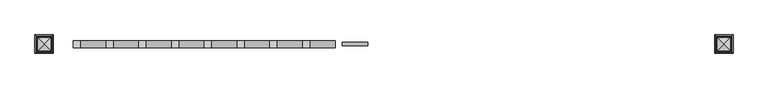
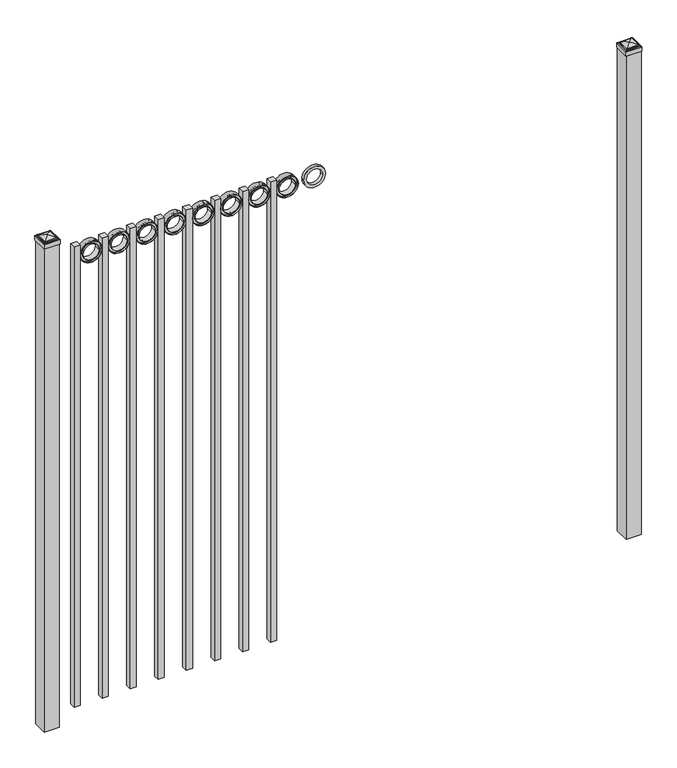
"""IFC4 building model written with IfcOpenShell, lengths in millimetres: railing geometry."""

import ifcopenshell
import ifcopenshell.guid

model = None  # the IFC model being written
_history = None  # IfcOwnerHistory: only IFC2X3 demands one
_inside = {}  # id of a spatial element -> (the spatial element, [elements in it])
_under = {}  # id of a project, library or spatial element -> (it, [spatial elements below it])
_declared = {}  # id of a project -> (the project, [libraries it declares])
_typed = {}  # id of a type object -> (the type object, [elements of that type])
_made_of = {}  # id of a material, layer set ... -> (it, [elements and type objects made of it])


def new_model(schema):
    """Start an empty IFC model of exactly this schema.

    Asked for "IFC4X3", IfcOpenShell would pick the latest addendum, in which some entities
    have other attributes; the version numbers below select the first issue.
    IFC2X3 requires an IfcOwnerHistory on every rooted entity: one is made here for all.
    """
    global model, _history
    if schema == "IFC4X3":
        model = ifcopenshell.file(schema_version=(4, 3, 0, 0))
    else:
        model = ifcopenshell.file(schema=schema)
    _inside.clear()
    _under.clear()
    _declared.clear()
    _typed.clear()
    _made_of.clear()
    _history = None
    if model.schema == "IFC2X3":
        org = make("IfcOrganization", Name="unknown")
        user = make(
            "IfcPersonAndOrganization",
            ThePerson=make("IfcPerson", FamilyName="unknown"),
            TheOrganization=org,
        )
        app = make(
            "IfcApplication",
            ApplicationDeveloper=org,
            Version="unknown",
            ApplicationFullName="unknown",
            ApplicationIdentifier="unknown",
        )
        _history = make(
            "IfcOwnerHistory",
            OwningUser=user,
            OwningApplication=app,
            ChangeAction="ADDED",
            CreationDate=0,
        )
    return model


def make(cls, **values):
    """One entity of the class cls with the attributes given. An attribute that is None is left unset."""
    return model.create_entity(
        cls, **{name: value for name, value in values.items() if value is not None}
    )


def rooted(cls, **values):
    """An entity with a GlobalId (a new one), such as an element, a storey or a relation."""
    return make(cls, GlobalId=ifcopenshell.guid.new(), OwnerHistory=_history, **values)


def si_unit(unit_type, name, prefix=None):
    """IfcSIUnit, for example si_unit("LENGTHUNIT", "METRE", prefix="MILLI")."""
    return make("IfcSIUnit", UnitType=unit_type, Prefix=prefix, Name=name)


def assignment(units):
    """IfcUnitAssignment: the units of a project."""
    return None if units is None else make("IfcUnitAssignment", Units=units)


def point(xyz):
    """IfcCartesianPoint."""
    return None if xyz is None else make("IfcCartesianPoint", Coordinates=xyz)


def direction(xyz):
    """IfcDirection."""
    return None if xyz is None else make("IfcDirection", DirectionRatios=xyz)


def frame(location, z_axis=None, x_axis=None):
    """IfcAxis2Placement3D, a coordinate frame: its origin and axes. An axis left out is left unset."""
    return make(
        "IfcAxis2Placement3D",
        Location=point(location),
        Axis=direction(z_axis),
        RefDirection=direction(x_axis),
    )


def frame_2d(location, x_axis=None):
    """IfcAxis2Placement2D, a coordinate frame in the plane: its origin and x axis."""
    return make(
        "IfcAxis2Placement2D", Location=point(location), RefDirection=direction(x_axis)
    )


def origin():
    """The frame at (0, 0, 0) with its axes left unset."""
    return frame((0.0, 0.0, 0.0))


def origin_with_axes():
    """The frame at (0, 0, 0) with the z axis (0, 0, 1) and the x axis (1, 0, 0) written out."""
    return frame((0.0, 0.0, 0.0), z_axis=(0.0, 0.0, 1.0), x_axis=(1.0, 0.0, 0.0))


def place(relative_to, where):
    """IfcLocalPlacement: puts the frame where relative to a parent placement (None: the world)."""
    return make(
        "IfcLocalPlacement", PlacementRelTo=relative_to, RelativePlacement=where
    )


def context(
    kind, dimensions, precision=None, world=None, true_north=None, identifier=None
):
    """IfcGeometricRepresentationContext, for example the 3D "Model" context."""
    return make(
        "IfcGeometricRepresentationContext",
        ContextIdentifier=identifier,
        ContextType=kind,
        CoordinateSpaceDimension=dimensions,
        Precision=precision,
        WorldCoordinateSystem=world,
        TrueNorth=true_north,
    )


def project(units=None, contexts=None):
    """IfcProject with its units and contexts."""
    return rooted(
        "IfcProject",
        Name="project",
        RepresentationContexts=contexts,
        UnitsInContext=assignment(units),
    )


def spatial(cls, under=None, at=None, **own):
    """A site, building, storey or space (cls), placed at a placement, below another one or the project."""
    s = rooted(cls, ObjectPlacement=at, **own)
    if under is not None:
        _under.setdefault(under.id(), (under, []))[1].append(s)
    return s


def polyline(points):
    """IfcPolyline through the points."""
    return make("IfcPolyline", Points=[point(p) for p in points])


def circle_curve(where, radius):
    """IfcCircle in the frame where."""
    return make("IfcCircle", Position=where, Radius=radius)


def ellipse_curve(where, semi_axis1, semi_axis2):
    """IfcEllipse in the frame where."""
    return make(
        "IfcEllipse", Position=where, SemiAxis1=semi_axis1, SemiAxis2=semi_axis2
    )


def trimmed(basis, trim1, trim2, sense, master):
    """IfcTrimmedCurve: the piece of a basis curve between two trims."""
    return make(
        "IfcTrimmedCurve",
        BasisCurve=basis,
        Trim1=trim1,
        Trim2=trim2,
        SenseAgreement=sense,
        MasterRepresentation=master,
    )


def segment(curve, same_sense, transition):
    """IfcCompositeCurveSegment."""
    return make(
        "IfcCompositeCurveSegment",
        Transition=transition,
        SameSense=same_sense,
        ParentCurve=curve,
    )


def composite_curve(segments, self_intersect=None):
    """IfcCompositeCurve: segments joined end to end."""
    return make("IfcCompositeCurve", Segments=segments, SelfIntersect=self_intersect)


def outline(outer, holes=None, kind="AREA"):
    """IfcArbitraryClosedProfileDef: a profile drawn as a closed curve; with holes, ...WithVoids."""
    if holes is None:
        return make("IfcArbitraryClosedProfileDef", ProfileType=kind, OuterCurve=outer)
    return make(
        "IfcArbitraryProfileDefWithVoids",
        ProfileType=kind,
        OuterCurve=outer,
        InnerCurves=holes,
    )


def extrude(swept, where, along, depth):
    """IfcExtrudedAreaSolid: the profile swept, set in the frame where, extruded along a direction by depth."""
    return make(
        "IfcExtrudedAreaSolid",
        SweptArea=swept,
        Position=where,
        ExtrudedDirection=direction(along),
        Depth=depth,
    )


def shape(context_of_items, identifier, shape_type, items):
    """IfcShapeRepresentation: the items that make up one representation, for example the "Body"."""
    return make(
        "IfcShapeRepresentation",
        ContextOfItems=context_of_items,
        RepresentationIdentifier=identifier,
        RepresentationType=shape_type,
        Items=items,
    )


def source(mapping_origin, context_of_items, identifier, shape_type, items):
    """IfcRepresentationMap: a shape defined once, which mapped items show again and again."""
    return make(
        "IfcRepresentationMap",
        MappingOrigin=mapping_origin,
        MappedRepresentation=shape(context_of_items, identifier, shape_type, items),
    )


def transform(
    local_origin,
    x_axis=None,
    y_axis=None,
    z_axis=None,
    scale=None,
    scale2=None,
    scale3=None,
    uniform=True,
):
    """IfcCartesianTransformationOperator3D, or its non-uniform kind. x_axis, y_axis, z_axis: its Axis1, 2, 3."""
    if uniform:
        return make(
            "IfcCartesianTransformationOperator3D",
            Axis1=direction(x_axis),
            Axis2=direction(y_axis),
            LocalOrigin=point(local_origin),
            Scale=scale,
            Axis3=direction(z_axis),
        )
    return make(
        "IfcCartesianTransformationOperator3DnonUniform",
        Axis1=direction(x_axis),
        Axis2=direction(y_axis),
        LocalOrigin=point(local_origin),
        Scale=scale,
        Axis3=direction(z_axis),
        Scale2=scale2,
        Scale3=scale3,
    )


def mapped(mapping_source, mapping_target):
    """IfcMappedItem: shows the shape of a source again, moved by a transform."""
    return make(
        "IfcMappedItem", MappingSource=mapping_source, MappingTarget=mapping_target
    )


def made_of(thing, what):
    """Note that an element or type object is made of a material, layer set ...; save() writes the relation."""
    if what is not None:
        _made_of.setdefault(what.id(), (what, []))[1].append(thing)
    return thing


def element(
    cls,
    number,
    at=None,
    inside=None,
    cuts=None,
    type_object=None,
    material=None,
    context=None,
    identifier="Body",
    shape_type=None,
    held_by="IfcProductDefinitionShape",
    body=None,
    shapes=None,
    **own,
):
    """One element of the class cls, such as IfcWall. Its Tag is "e" and its number.

    at: its placement. inside: the storey or other place that contains it. cuts: it is an
    opening in that element (IfcRelVoidsElement). A single representation is given by context,
    identifier, shape_type and body (its items); several are given by shapes. held_by: the class
    of the entity that holds the representations. save() writes the other relations.
    """
    e = rooted(cls, Tag="e%d" % number, ObjectPlacement=at, **own)
    if body is not None:
        shapes = [shape(context, identifier, shape_type, body)]
    if shapes is not None:
        e.Representation = make(held_by, Representations=shapes)
    if inside is not None:
        _inside.setdefault(inside.id(), (inside, []))[1].append(e)
    if cuts is not None:
        rooted(
            "IfcRelVoidsElement", RelatingBuildingElement=cuts, RelatedOpeningElement=e
        )
    if type_object is not None:
        _typed.setdefault(type_object.id(), (type_object, []))[1].append(e)
    return made_of(e, material)


def aggregate(whole, parts):
    """IfcRelAggregates: a whole, such as a stair, and the parts it consists of."""
    return rooted("IfcRelAggregates", RelatingObject=whole, RelatedObjects=parts)


def save(model, path):
    """Write the relations noted so far, then the file.

    IfcRelAggregates (storeys below a building ...), IfcRelContainedInSpatialStructure (elements
    in a storey), IfcRelDefinesByType, IfcRelAssociatesMaterial and IfcRelDeclares: one each for
    every whole, place, type object, material and project.
    """
    for whole, parts in _under.values():
        aggregate(whole, parts)
    for where, things in _inside.values():
        rooted(
            "IfcRelContainedInSpatialStructure",
            RelatedElements=things,
            RelatingStructure=where,
        )
    for kind, things in _typed.values():
        rooted("IfcRelDefinesByType", RelatedObjects=things, RelatingType=kind)
    for what, things in _made_of.values():
        rooted("IfcRelAssociatesMaterial", RelatedObjects=things, RelatingMaterial=what)
    for by, libraries in _declared.values():
        rooted("IfcRelDeclares", RelatingContext=by, RelatedDefinitions=libraries)
    model.write(path)


def plane_surface(at):
    """IfcPlane: the flat surface through the origin of the frame at, square to its z axis."""
    return make("IfcPlane", Position=at)


def cylinder_surface(at, radius):
    """IfcCylindricalSurface: all points at the distance radius from the z axis of the frame at."""
    return make("IfcCylindricalSurface", Position=at, Radius=radius)


def advanced_brep(points, edges, surfaces, faces):
    """IfcAdvancedBrep: a solid bounded by faces that lie on surfaces and meet in shared edges.

    An edge is (start, end): straight between two places in points (the first is 0);
    or (start, end, curve); or (start, end, curve, False) where it runs against its curve.
    A face is (place in surfaces, loops), or (place, loops, False) where it looks against
    its surface's normal. A loop lists edges by number (the first is 1), with a minus sign
    where the edge is run from its end to its start. The first loop is the outer one.
    """
    corners = [point(p) for p in points]
    vertices = [make("IfcVertexPoint", VertexGeometry=c) for c in corners]
    made = []
    for start, end, *more in edges:
        made.append(
            make(
                "IfcEdgeCurve",
                EdgeStart=vertices[start],
                EdgeEnd=vertices[end],
                EdgeGeometry=more[0] if more else make("IfcPolyline", Points=[corners[start], corners[end]]),
                SameSense=more[1] if len(more) > 1 else True,
            )
        )
    hull = []
    for where, loops, *sense in faces:
        bounds = []
        for j, loop in enumerate(loops):
            ring = [make("IfcOrientedEdge", EdgeElement=made[abs(k) - 1], Orientation=k > 0) for k in loop]
            bounds.append(
                make(
                    "IfcFaceOuterBound" if j == 0 else "IfcFaceBound",
                    Bound=make("IfcEdgeLoop", EdgeList=ring),
                    Orientation=True,
                )
            )
        hull.append(make("IfcAdvancedFace", Bounds=bounds, FaceSurface=surfaces[where], SameSense=sense[0] if sense else True))
    return make("IfcAdvancedBrep", Outer=make("IfcClosedShell", CfsFaces=hull))


def railing_4fd7bb2c(model_context):
    return source(origin(), model_context, "Body", "SolidModel", [
        extrude(outline(composite_curve([segment(trimmed(circle_curve(frame_2d((2043.4511409, -5077.3911274)), 45.6988591), [point((2043.4511409, -5031.6922684))], [point((2043.4511409, -5123.0899865))], False, "CARTESIAN"), True, "CONTINUOUS"), segment(trimmed(circle_curve(frame_2d((2043.4511409, -5077.3911274)), 45.6988591), [point((2043.4511409, -5123.0899865))], [point((2043.4511409, -5031.6922684))], False, "CARTESIAN"), True, "CONTINUOUS")], self_intersect=False), holes=[composite_curve([segment(trimmed(circle_curve(frame_2d((2043.4511409, -5077.3911274)), 33.0443887), [point((2043.4511409, -5044.3467388))], [point((2043.4511409, -5110.4355161))], True, "CARTESIAN"), True, "CONTINUOUS"), segment(trimmed(circle_curve(frame_2d((2043.4511409, -5077.3911274)), 33.0443887), [point((2043.4511409, -5110.4355161))], [point((2043.4511409, -5044.3467388))], True, "CARTESIAN"), True, "CONTINUOUS")], self_intersect=False)]), frame((0.0, 8838.569541, 0.0), z_axis=(0.0, 1.0, 0.0), x_axis=(0.0, 0.0, 1.0)), (0.0, 0.0, 1.0), 12.7),
        extrude(outline(polyline([(0.0, -2038.35), (0.0, 0.0), (25.4, 0.0), (25.4, -2038.35), (0.0, -2038.35)])), frame((-5240.5649864, 8857.619541, 2089.15), z_axis=(-1.0, 0.0, 2.035783368465032e-09), x_axis=(0.0, -1.0, 0.0)), (0.0, 0.0, 1.0), 25.4),
        extrude(outline(composite_curve([segment(trimmed(circle_curve(frame_2d((2043.4511409, -5194.8661274)), 45.6988591), [point((2043.4511409, -5149.1672684))], [point((2043.4511409, -5240.5649865))], False, "CARTESIAN"), True, "CONTINUOUS"), segment(trimmed(circle_curve(frame_2d((2043.4511409, -5194.8661274)), 45.6988591), [point((2043.4511409, -5240.5649865))], [point((2043.4511409, -5149.1672684))], False, "CARTESIAN"), True, "CONTINUOUS")], self_intersect=False), holes=[composite_curve([segment(trimmed(circle_curve(frame_2d((2043.4511409, -5194.8661274)), 44.101539), [point((2043.4511409, -5150.7645884))], [point((2043.4511409, -5238.9676665))], True, "CARTESIAN"), True, "CONTINUOUS"), segment(trimmed(circle_curve(frame_2d((2043.4511409, -5194.8661274)), 44.101539), [point((2043.4511409, -5238.9676665))], [point((2043.4511409, -5150.7645884))], True, "CARTESIAN"), True, "CONTINUOUS")], self_intersect=False)]), frame((0.0, 8832.219541, 0.0), z_axis=(0.0, 1.0, 0.0), x_axis=(0.0, 0.0, 1.0)), (0.0, 0.0, 1.0), 25.4),
        extrude(outline(composite_curve([segment(trimmed(circle_curve(frame_2d((2043.4511409, -5194.8661274)), 34.6370762), [point((2043.4511409, -5160.2290512))], [point((2043.4511409, -5229.5032037))], False, "CARTESIAN"), True, "CONTINUOUS"), segment(trimmed(circle_curve(frame_2d((2043.4511409, -5194.8661274)), 34.6370762), [point((2043.4511409, -5229.5032037))], [point((2043.4511409, -5160.2290512))], False, "CARTESIAN"), True, "CONTINUOUS")], self_intersect=False), holes=[composite_curve([segment(trimmed(circle_curve(frame_2d((2043.4511409, -5194.8661274)), 33.0443887), [point((2043.4511409, -5161.8217388))], [point((2043.4511409, -5227.9105161))], True, "CARTESIAN"), True, "CONTINUOUS"), segment(trimmed(circle_curve(frame_2d((2043.4511409, -5194.8661274)), 33.0443887), [point((2043.4511409, -5227.9105161))], [point((2043.4511409, -5161.8217388))], True, "CARTESIAN"), True, "CONTINUOUS")], self_intersect=False)]), frame((0.0, 8832.219541, 0.0), z_axis=(0.0, 1.0, 0.0), x_axis=(0.0, 0.0, 1.0)), (0.0, 0.0, 1.0), 25.4),
        extrude(outline(composite_curve([segment(trimmed(circle_curve(frame_2d((2043.4511409, -5194.8661274)), 45.6988591), [point((2043.4511409, -5149.1672684))], [point((2043.4511409, -5240.5649865))], False, "CARTESIAN"), True, "CONTINUOUS"), segment(trimmed(circle_curve(frame_2d((2043.4511409, -5194.8661274)), 45.6988591), [point((2043.4511409, -5240.5649865))], [point((2043.4511409, -5149.1672684))], False, "CARTESIAN"), True, "CONTINUOUS")], self_intersect=False), holes=[composite_curve([segment(trimmed(circle_curve(frame_2d((2043.4511409, -5194.8661274)), 33.0443887), [point((2043.4511409, -5161.8217388))], [point((2043.4511409, -5227.9105161))], True, "CARTESIAN"), True, "CONTINUOUS"), segment(trimmed(circle_curve(frame_2d((2043.4511409, -5194.8661274)), 33.0443887), [point((2043.4511409, -5227.9105161))], [point((2043.4511409, -5161.8217388))], True, "CARTESIAN"), True, "CONTINUOUS")], self_intersect=False)]), frame((0.0, 8838.569541, 0.0), z_axis=(0.0, 1.0, 0.0), x_axis=(0.0, 0.0, 1.0)), (0.0, 0.0, 1.0), 12.7),
        extrude(outline(polyline([(0.0, -2038.35), (0.0, 0.0), (25.4, 0.0), (25.4, -2038.35), (0.0, -2038.35)])), frame((-5358.0399864, 8857.619541, 2089.15), z_axis=(-1.0, 0.0, 2.035783368465032e-09), x_axis=(0.0, -1.0, 0.0)), (0.0, 0.0, 1.0), 25.4),
        extrude(outline(composite_curve([segment(trimmed(circle_curve(frame_2d((2043.4511409, -5312.3411274)), 45.6988591), [point((2043.4511409, -5266.6422684))], [point((2043.4511409, -5358.0399865))], False, "CARTESIAN"), True, "CONTINUOUS"), segment(trimmed(circle_curve(frame_2d((2043.4511409, -5312.3411274)), 45.6988591), [point((2043.4511409, -5358.0399865))], [point((2043.4511409, -5266.6422684))], False, "CARTESIAN"), True, "CONTINUOUS")], self_intersect=False), holes=[composite_curve([segment(trimmed(circle_curve(frame_2d((2043.4511409, -5312.3411274)), 44.101539), [point((2043.4511409, -5268.2395884))], [point((2043.4511409, -5356.4426665))], True, "CARTESIAN"), True, "CONTINUOUS"), segment(trimmed(circle_curve(frame_2d((2043.4511409, -5312.3411274)), 44.101539), [point((2043.4511409, -5356.4426665))], [point((2043.4511409, -5268.2395884))], True, "CARTESIAN"), True, "CONTINUOUS")], self_intersect=False)]), frame((0.0, 8832.219541, 0.0), z_axis=(0.0, 1.0, 0.0), x_axis=(0.0, 0.0, 1.0)), (0.0, 0.0, 1.0), 25.4),
        extrude(outline(composite_curve([segment(trimmed(circle_curve(frame_2d((2043.4511409, -5312.3411274)), 34.6370762), [point((2043.4511409, -5277.7040512))], [point((2043.4511409, -5346.9782037))], False, "CARTESIAN"), True, "CONTINUOUS"), segment(trimmed(circle_curve(frame_2d((2043.4511409, -5312.3411274)), 34.6370762), [point((2043.4511409, -5346.9782037))], [point((2043.4511409, -5277.7040512))], False, "CARTESIAN"), True, "CONTINUOUS")], self_intersect=False), holes=[composite_curve([segment(trimmed(circle_curve(frame_2d((2043.4511409, -5312.3411274)), 33.0443887), [point((2043.4511409, -5279.2967388))], [point((2043.4511409, -5345.3855161))], True, "CARTESIAN"), True, "CONTINUOUS"), segment(trimmed(circle_curve(frame_2d((2043.4511409, -5312.3411274)), 33.0443887), [point((2043.4511409, -5345.3855161))], [point((2043.4511409, -5279.2967388))], True, "CARTESIAN"), True, "CONTINUOUS")], self_intersect=False)]), frame((0.0, 8832.219541, 0.0), z_axis=(0.0, 1.0, 0.0), x_axis=(0.0, 0.0, 1.0)), (0.0, 0.0, 1.0), 25.4),
        extrude(outline(composite_curve([segment(trimmed(circle_curve(frame_2d((2043.4511409, -5312.3411274)), 45.6988591), [point((2043.4511409, -5266.6422684))], [point((2043.4511409, -5358.0399865))], False, "CARTESIAN"), True, "CONTINUOUS"), segment(trimmed(circle_curve(frame_2d((2043.4511409, -5312.3411274)), 45.6988591), [point((2043.4511409, -5358.0399865))], [point((2043.4511409, -5266.6422684))], False, "CARTESIAN"), True, "CONTINUOUS")], self_intersect=False), holes=[composite_curve([segment(trimmed(circle_curve(frame_2d((2043.4511409, -5312.3411274)), 33.0443887), [point((2043.4511409, -5279.2967388))], [point((2043.4511409, -5345.3855161))], True, "CARTESIAN"), True, "CONTINUOUS"), segment(trimmed(circle_curve(frame_2d((2043.4511409, -5312.3411274)), 33.0443887), [point((2043.4511409, -5345.3855161))], [point((2043.4511409, -5279.2967388))], True, "CARTESIAN"), True, "CONTINUOUS")], self_intersect=False)]), frame((0.0, 8838.569541, 0.0), z_axis=(0.0, 1.0, 0.0), x_axis=(0.0, 0.0, 1.0)), (0.0, 0.0, 1.0), 12.7),
        extrude(outline(polyline([(0.0, -2038.35), (0.0, 0.0), (25.4, 0.0), (25.4, -2038.35), (0.0, -2038.35)])), frame((-5475.5149864, 8857.619541, 2089.15), z_axis=(-1.0, 0.0, 2.035783368465032e-09), x_axis=(0.0, -1.0, 0.0)), (0.0, 0.0, 1.0), 25.4),
        extrude(outline(composite_curve([segment(trimmed(circle_curve(frame_2d((2043.4511409, -5429.8161274)), 45.6988591), [point((2043.4511409, -5384.1172684))], [point((2043.4511409, -5475.5149865))], False, "CARTESIAN"), True, "CONTINUOUS"), segment(trimmed(circle_curve(frame_2d((2043.4511409, -5429.8161274)), 45.6988591), [point((2043.4511409, -5475.5149865))], [point((2043.4511409, -5384.1172684))], False, "CARTESIAN"), True, "CONTINUOUS")], self_intersect=False), holes=[composite_curve([segment(trimmed(circle_curve(frame_2d((2043.4511409, -5429.8161274)), 44.101539), [point((2043.4511409, -5385.7145884))], [point((2043.4511409, -5473.9176665))], True, "CARTESIAN"), True, "CONTINUOUS"), segment(trimmed(circle_curve(frame_2d((2043.4511409, -5429.8161274)), 44.101539), [point((2043.4511409, -5473.9176665))], [point((2043.4511409, -5385.7145884))], True, "CARTESIAN"), True, "CONTINUOUS")], self_intersect=False)]), frame((0.0, 8832.219541, 0.0), z_axis=(0.0, 1.0, 0.0), x_axis=(0.0, 0.0, 1.0)), (0.0, 0.0, 1.0), 25.4),
        extrude(outline(composite_curve([segment(trimmed(circle_curve(frame_2d((2043.4511409, -5429.8161274)), 34.6370762), [point((2043.4511409, -5395.1790512))], [point((2043.4511409, -5464.4532037))], False, "CARTESIAN"), True, "CONTINUOUS"), segment(trimmed(circle_curve(frame_2d((2043.4511409, -5429.8161274)), 34.6370762), [point((2043.4511409, -5464.4532037))], [point((2043.4511409, -5395.1790512))], False, "CARTESIAN"), True, "CONTINUOUS")], self_intersect=False), holes=[composite_curve([segment(trimmed(circle_curve(frame_2d((2043.4511409, -5429.8161274)), 33.0443887), [point((2043.4511409, -5396.7717388))], [point((2043.4511409, -5462.8605161))], True, "CARTESIAN"), True, "CONTINUOUS"), segment(trimmed(circle_curve(frame_2d((2043.4511409, -5429.8161274)), 33.0443887), [point((2043.4511409, -5462.8605161))], [point((2043.4511409, -5396.7717388))], True, "CARTESIAN"), True, "CONTINUOUS")], self_intersect=False)]), frame((0.0, 8832.219541, 0.0), z_axis=(0.0, 1.0, 0.0), x_axis=(0.0, 0.0, 1.0)), (0.0, 0.0, 1.0), 25.4),
        extrude(outline(composite_curve([segment(trimmed(circle_curve(frame_2d((2043.4511409, -5429.8161274)), 45.6988591), [point((2043.4511409, -5384.1172684))], [point((2043.4511409, -5475.5149865))], False, "CARTESIAN"), True, "CONTINUOUS"), segment(trimmed(circle_curve(frame_2d((2043.4511409, -5429.8161274)), 45.6988591), [point((2043.4511409, -5475.5149865))], [point((2043.4511409, -5384.1172684))], False, "CARTESIAN"), True, "CONTINUOUS")], self_intersect=False), holes=[composite_curve([segment(trimmed(circle_curve(frame_2d((2043.4511409, -5429.8161274)), 33.0443887), [point((2043.4511409, -5396.7717388))], [point((2043.4511409, -5462.8605161))], True, "CARTESIAN"), True, "CONTINUOUS"), segment(trimmed(circle_curve(frame_2d((2043.4511409, -5429.8161274)), 33.0443887), [point((2043.4511409, -5462.8605161))], [point((2043.4511409, -5396.7717388))], True, "CARTESIAN"), True, "CONTINUOUS")], self_intersect=False)]), frame((0.0, 8838.569541, 0.0), z_axis=(0.0, 1.0, 0.0), x_axis=(0.0, 0.0, 1.0)), (0.0, 0.0, 1.0), 12.7),
        extrude(outline(polyline([(0.0, -2038.35), (0.0, 0.0), (25.4, 0.0), (25.4, -2038.35), (0.0, -2038.35)])), frame((-5592.9899864, 8857.619541, 2089.15), z_axis=(-1.0, 0.0, 2.035783368465032e-09), x_axis=(0.0, -1.0, 0.0)), (0.0, 0.0, 1.0), 25.4),
        extrude(outline(composite_curve([segment(trimmed(circle_curve(frame_2d((2043.4511409, -5547.2911274)), 45.6988591), [point((2043.4511409, -5501.5922684))], [point((2043.4511409, -5592.9899865))], False, "CARTESIAN"), True, "CONTINUOUS"), segment(trimmed(circle_curve(frame_2d((2043.4511409, -5547.2911274)), 45.6988591), [point((2043.4511409, -5592.9899865))], [point((2043.4511409, -5501.5922684))], False, "CARTESIAN"), True, "CONTINUOUS")], self_intersect=False), holes=[composite_curve([segment(trimmed(circle_curve(frame_2d((2043.4511409, -5547.2911274)), 44.101539), [point((2043.4511409, -5503.1895884))], [point((2043.4511409, -5591.3926665))], True, "CARTESIAN"), True, "CONTINUOUS"), segment(trimmed(circle_curve(frame_2d((2043.4511409, -5547.2911274)), 44.101539), [point((2043.4511409, -5591.3926665))], [point((2043.4511409, -5503.1895884))], True, "CARTESIAN"), True, "CONTINUOUS")], self_intersect=False)]), frame((0.0, 8832.219541, 0.0), z_axis=(0.0, 1.0, 0.0), x_axis=(0.0, 0.0, 1.0)), (0.0, 0.0, 1.0), 25.4),
        extrude(outline(composite_curve([segment(trimmed(circle_curve(frame_2d((2043.4511409, -5547.2911274)), 34.6370762), [point((2043.4511409, -5512.6540512))], [point((2043.4511409, -5581.9282037))], False, "CARTESIAN"), True, "CONTINUOUS"), segment(trimmed(circle_curve(frame_2d((2043.4511409, -5547.2911274)), 34.6370762), [point((2043.4511409, -5581.9282037))], [point((2043.4511409, -5512.6540512))], False, "CARTESIAN"), True, "CONTINUOUS")], self_intersect=False), holes=[composite_curve([segment(trimmed(circle_curve(frame_2d((2043.4511409, -5547.2911274)), 33.0443887), [point((2043.4511409, -5514.2467388))], [point((2043.4511409, -5580.3355161))], True, "CARTESIAN"), True, "CONTINUOUS"), segment(trimmed(circle_curve(frame_2d((2043.4511409, -5547.2911274)), 33.0443887), [point((2043.4511409, -5580.3355161))], [point((2043.4511409, -5514.2467388))], True, "CARTESIAN"), True, "CONTINUOUS")], self_intersect=False)]), frame((0.0, 8832.219541, 0.0), z_axis=(0.0, 1.0, 0.0), x_axis=(0.0, 0.0, 1.0)), (0.0, 0.0, 1.0), 25.4),
        extrude(outline(composite_curve([segment(trimmed(circle_curve(frame_2d((2043.4511409, -5547.2911274)), 45.6988591), [point((2043.4511409, -5501.5922684))], [point((2043.4511409, -5592.9899865))], False, "CARTESIAN"), True, "CONTINUOUS"), segment(trimmed(circle_curve(frame_2d((2043.4511409, -5547.2911274)), 45.6988591), [point((2043.4511409, -5592.9899865))], [point((2043.4511409, -5501.5922684))], False, "CARTESIAN"), True, "CONTINUOUS")], self_intersect=False), holes=[composite_curve([segment(trimmed(circle_curve(frame_2d((2043.4511409, -5547.2911274)), 33.0443887), [point((2043.4511409, -5514.2467388))], [point((2043.4511409, -5580.3355161))], True, "CARTESIAN"), True, "CONTINUOUS"), segment(trimmed(circle_curve(frame_2d((2043.4511409, -5547.2911274)), 33.0443887), [point((2043.4511409, -5580.3355161))], [point((2043.4511409, -5514.2467388))], True, "CARTESIAN"), True, "CONTINUOUS")], self_intersect=False)]), frame((0.0, 8838.569541, 0.0), z_axis=(0.0, 1.0, 0.0), x_axis=(0.0, 0.0, 1.0)), (0.0, 0.0, 1.0), 12.7),
        extrude(outline(polyline([(0.0, -2038.35), (0.0, 0.0), (25.4, 0.0), (25.4, -2038.35), (0.0, -2038.35)])), frame((-5710.4649864, 8857.619541, 2089.15), z_axis=(-1.0, 0.0, 2.035783368465032e-09), x_axis=(0.0, -1.0, 0.0)), (0.0, 0.0, 1.0), 25.4),
        extrude(outline(composite_curve([segment(trimmed(circle_curve(frame_2d((2043.4511409, -5664.7661274)), 45.6988591), [point((2043.4511409, -5619.0672684))], [point((2043.4511409, -5710.4649865))], False, "CARTESIAN"), True, "CONTINUOUS"), segment(trimmed(circle_curve(frame_2d((2043.4511409, -5664.7661274)), 45.6988591), [point((2043.4511409, -5710.4649865))], [point((2043.4511409, -5619.0672684))], False, "CARTESIAN"), True, "CONTINUOUS")], self_intersect=False), holes=[composite_curve([segment(trimmed(circle_curve(frame_2d((2043.4511409, -5664.7661274)), 44.101539), [point((2043.4511409, -5620.6645884))], [point((2043.4511409, -5708.8676665))], True, "CARTESIAN"), True, "CONTINUOUS"), segment(trimmed(circle_curve(frame_2d((2043.4511409, -5664.7661274)), 44.101539), [point((2043.4511409, -5708.8676665))], [point((2043.4511409, -5620.6645884))], True, "CARTESIAN"), True, "CONTINUOUS")], self_intersect=False)]), frame((0.0, 8832.219541, 0.0), z_axis=(0.0, 1.0, 0.0), x_axis=(0.0, 0.0, 1.0)), (0.0, 0.0, 1.0), 25.4),
        extrude(outline(composite_curve([segment(trimmed(circle_curve(frame_2d((2043.4511409, -5664.7661274)), 34.6370762), [point((2043.4511409, -5630.1290512))], [point((2043.4511409, -5699.4032037))], False, "CARTESIAN"), True, "CONTINUOUS"), segment(trimmed(circle_curve(frame_2d((2043.4511409, -5664.7661274)), 34.6370762), [point((2043.4511409, -5699.4032037))], [point((2043.4511409, -5630.1290512))], False, "CARTESIAN"), True, "CONTINUOUS")], self_intersect=False), holes=[composite_curve([segment(trimmed(circle_curve(frame_2d((2043.4511409, -5664.7661274)), 33.0443887), [point((2043.4511409, -5631.7217388))], [point((2043.4511409, -5697.8105161))], True, "CARTESIAN"), True, "CONTINUOUS"), segment(trimmed(circle_curve(frame_2d((2043.4511409, -5664.7661274)), 33.0443887), [point((2043.4511409, -5697.8105161))], [point((2043.4511409, -5631.7217388))], True, "CARTESIAN"), True, "CONTINUOUS")], self_intersect=False)]), frame((0.0, 8832.219541, 0.0), z_axis=(0.0, 1.0, 0.0), x_axis=(0.0, 0.0, 1.0)), (0.0, 0.0, 1.0), 25.4),
        extrude(outline(composite_curve([segment(trimmed(circle_curve(frame_2d((2043.4511409, -5664.7661274)), 45.6988591), [point((2043.4511409, -5619.0672684))], [point((2043.4511409, -5710.4649865))], False, "CARTESIAN"), True, "CONTINUOUS"), segment(trimmed(circle_curve(frame_2d((2043.4511409, -5664.7661274)), 45.6988591), [point((2043.4511409, -5710.4649865))], [point((2043.4511409, -5619.0672684))], False, "CARTESIAN"), True, "CONTINUOUS")], self_intersect=False), holes=[composite_curve([segment(trimmed(circle_curve(frame_2d((2043.4511409, -5664.7661274)), 33.0443887), [point((2043.4511409, -5631.7217388))], [point((2043.4511409, -5697.8105161))], True, "CARTESIAN"), True, "CONTINUOUS"), segment(trimmed(circle_curve(frame_2d((2043.4511409, -5664.7661274)), 33.0443887), [point((2043.4511409, -5697.8105161))], [point((2043.4511409, -5631.7217388))], True, "CARTESIAN"), True, "CONTINUOUS")], self_intersect=False)]), frame((0.0, 8838.569541, 0.0), z_axis=(0.0, 1.0, 0.0), x_axis=(0.0, 0.0, 1.0)), (0.0, 0.0, 1.0), 12.7),
        extrude(outline(polyline([(0.0, -2038.35), (0.0, 0.0), (25.4, 0.0), (25.4, -2038.35), (0.0, -2038.35)])), frame((-5827.9399864, 8857.619541, 2089.15), z_axis=(-1.0, 0.0, 2.035783368465032e-09), x_axis=(0.0, -1.0, 0.0)), (0.0, 0.0, 1.0), 25.4),
        extrude(outline(composite_curve([segment(trimmed(circle_curve(frame_2d((2043.4511409, -5782.2411274)), 45.6988591), [point((2043.4511409, -5736.5422684))], [point((2043.4511409, -5827.9399865))], False, "CARTESIAN"), True, "CONTINUOUS"), segment(trimmed(circle_curve(frame_2d((2043.4511409, -5782.2411274)), 45.6988591), [point((2043.4511409, -5827.9399865))], [point((2043.4511409, -5736.5422684))], False, "CARTESIAN"), True, "CONTINUOUS")], self_intersect=False), holes=[composite_curve([segment(trimmed(circle_curve(frame_2d((2043.4511409, -5782.2411274)), 44.101539), [point((2043.4511409, -5738.1395884))], [point((2043.4511409, -5826.3426665))], True, "CARTESIAN"), True, "CONTINUOUS"), segment(trimmed(circle_curve(frame_2d((2043.4511409, -5782.2411274)), 44.101539), [point((2043.4511409, -5826.3426665))], [point((2043.4511409, -5738.1395884))], True, "CARTESIAN"), True, "CONTINUOUS")], self_intersect=False)]), frame((0.0, 8832.219541, 0.0), z_axis=(0.0, 1.0, 0.0), x_axis=(0.0, 0.0, 1.0)), (0.0, 0.0, 1.0), 25.4),
        extrude(outline(composite_curve([segment(trimmed(circle_curve(frame_2d((2043.4511409, -5782.2411274)), 34.6370762), [point((2043.4511409, -5747.6040512))], [point((2043.4511409, -5816.8782037))], False, "CARTESIAN"), True, "CONTINUOUS"), segment(trimmed(circle_curve(frame_2d((2043.4511409, -5782.2411274)), 34.6370762), [point((2043.4511409, -5816.8782037))], [point((2043.4511409, -5747.6040512))], False, "CARTESIAN"), True, "CONTINUOUS")], self_intersect=False), holes=[composite_curve([segment(trimmed(circle_curve(frame_2d((2043.4511409, -5782.2411274)), 33.0443887), [point((2043.4511409, -5749.1967388))], [point((2043.4511409, -5815.2855161))], True, "CARTESIAN"), True, "CONTINUOUS"), segment(trimmed(circle_curve(frame_2d((2043.4511409, -5782.2411274)), 33.0443887), [point((2043.4511409, -5815.2855161))], [point((2043.4511409, -5749.1967388))], True, "CARTESIAN"), True, "CONTINUOUS")], self_intersect=False)]), frame((0.0, 8832.219541, 0.0), z_axis=(0.0, 1.0, 0.0), x_axis=(0.0, 0.0, 1.0)), (0.0, 0.0, 1.0), 25.4),
        extrude(outline(composite_curve([segment(trimmed(circle_curve(frame_2d((2043.4511409, -5782.2411274)), 45.6988591), [point((2043.4511409, -5736.5422684))], [point((2043.4511409, -5827.9399865))], False, "CARTESIAN"), True, "CONTINUOUS"), segment(trimmed(circle_curve(frame_2d((2043.4511409, -5782.2411274)), 45.6988591), [point((2043.4511409, -5827.9399865))], [point((2043.4511409, -5736.5422684))], False, "CARTESIAN"), True, "CONTINUOUS")], self_intersect=False), holes=[composite_curve([segment(trimmed(circle_curve(frame_2d((2043.4511409, -5782.2411274)), 33.0443887), [point((2043.4511409, -5749.1967388))], [point((2043.4511409, -5815.2855161))], True, "CARTESIAN"), True, "CONTINUOUS"), segment(trimmed(circle_curve(frame_2d((2043.4511409, -5782.2411274)), 33.0443887), [point((2043.4511409, -5815.2855161))], [point((2043.4511409, -5749.1967388))], True, "CARTESIAN"), True, "CONTINUOUS")], self_intersect=False)]), frame((0.0, 8838.569541, 0.0), z_axis=(0.0, 1.0, 0.0), x_axis=(0.0, 0.0, 1.0)), (0.0, 0.0, 1.0), 12.7),
        extrude(outline(polyline([(0.0, -2038.35), (0.0, 0.0), (25.4, 0.0), (25.4, -2038.35), (0.0, -2038.35)])), frame((-5945.4149864, 8857.619541, 2089.15), z_axis=(-1.0, 0.0, 2.035783368465032e-09), x_axis=(0.0, -1.0, 0.0)), (0.0, 0.0, 1.0), 25.4),
        extrude(outline(composite_curve([segment(trimmed(circle_curve(frame_2d((2043.4511409, -5899.7161274)), 45.6988591), [point((2043.4511409, -5854.0172684))], [point((2043.4511409, -5945.4149865))], False, "CARTESIAN"), True, "CONTINUOUS"), segment(trimmed(circle_curve(frame_2d((2043.4511409, -5899.7161274)), 45.6988591), [point((2043.4511409, -5945.4149865))], [point((2043.4511409, -5854.0172684))], False, "CARTESIAN"), True, "CONTINUOUS")], self_intersect=False), holes=[composite_curve([segment(trimmed(circle_curve(frame_2d((2043.4511409, -5899.7161274)), 44.101539), [point((2043.4511409, -5855.6145884))], [point((2043.4511409, -5943.8176665))], True, "CARTESIAN"), True, "CONTINUOUS"), segment(trimmed(circle_curve(frame_2d((2043.4511409, -5899.7161274)), 44.101539), [point((2043.4511409, -5943.8176665))], [point((2043.4511409, -5855.6145884))], True, "CARTESIAN"), True, "CONTINUOUS")], self_intersect=False)]), frame((0.0, 8832.219541, 0.0), z_axis=(0.0, 1.0, 0.0), x_axis=(0.0, 0.0, 1.0)), (0.0, 0.0, 1.0), 25.4),
        extrude(outline(composite_curve([segment(trimmed(circle_curve(frame_2d((2043.4511409, -5899.7161274)), 34.6370762), [point((2043.4511409, -5865.0790512))], [point((2043.4511409, -5934.3532037))], False, "CARTESIAN"), True, "CONTINUOUS"), segment(trimmed(circle_curve(frame_2d((2043.4511409, -5899.7161274)), 34.6370762), [point((2043.4511409, -5934.3532037))], [point((2043.4511409, -5865.0790512))], False, "CARTESIAN"), True, "CONTINUOUS")], self_intersect=False), holes=[composite_curve([segment(trimmed(circle_curve(frame_2d((2043.4511409, -5899.7161274)), 33.0443887), [point((2043.4511409, -5866.6717388))], [point((2043.4511409, -5932.7605161))], True, "CARTESIAN"), True, "CONTINUOUS"), segment(trimmed(circle_curve(frame_2d((2043.4511409, -5899.7161274)), 33.0443887), [point((2043.4511409, -5932.7605161))], [point((2043.4511409, -5866.6717388))], True, "CARTESIAN"), True, "CONTINUOUS")], self_intersect=False)]), frame((0.0, 8832.219541, 0.0), z_axis=(0.0, 1.0, 0.0), x_axis=(0.0, 0.0, 1.0)), (0.0, 0.0, 1.0), 25.4),
        extrude(outline(composite_curve([segment(trimmed(circle_curve(frame_2d((2043.4511409, -5899.7161274)), 45.6988591), [point((2043.4511409, -5854.0172684))], [point((2043.4511409, -5945.4149865))], False, "CARTESIAN"), True, "CONTINUOUS"), segment(trimmed(circle_curve(frame_2d((2043.4511409, -5899.7161274)), 45.6988591), [point((2043.4511409, -5945.4149865))], [point((2043.4511409, -5854.0172684))], False, "CARTESIAN"), True, "CONTINUOUS")], self_intersect=False), holes=[composite_curve([segment(trimmed(circle_curve(frame_2d((2043.4511409, -5899.7161274)), 33.0443887), [point((2043.4511409, -5866.6717388))], [point((2043.4511409, -5932.7605161))], True, "CARTESIAN"), True, "CONTINUOUS"), segment(trimmed(circle_curve(frame_2d((2043.4511409, -5899.7161274)), 33.0443887), [point((2043.4511409, -5932.7605161))], [point((2043.4511409, -5866.6717388))], True, "CARTESIAN"), True, "CONTINUOUS")], self_intersect=False)]), frame((0.0, 8838.569541, 0.0), z_axis=(0.0, 1.0, 0.0), x_axis=(0.0, 0.0, 1.0)), (0.0, 0.0, 1.0), 12.7),
        extrude(outline(polyline([(0.0, -2038.35), (0.0, 0.0), (25.4, 0.0), (25.4, -2038.35), (0.0, -2038.35)])), frame((-6062.8899864, 8857.619541, 2089.15), z_axis=(-1.0, 0.0, 2.035783368465032e-09), x_axis=(0.0, -1.0, 0.0)), (0.0, 0.0, 1.0), 25.4),
        extrude(outline(composite_curve([segment(trimmed(circle_curve(frame_2d((2043.4511409, -6017.1911274)), 45.6988591), [point((2043.4511409, -5971.4922684))], [point((2043.4511409, -6062.8899865))], False, "CARTESIAN"), True, "CONTINUOUS"), segment(trimmed(circle_curve(frame_2d((2043.4511409, -6017.1911274)), 45.6988591), [point((2043.4511409, -6062.8899865))], [point((2043.4511409, -5971.4922684))], False, "CARTESIAN"), True, "CONTINUOUS")], self_intersect=False), holes=[composite_curve([segment(trimmed(circle_curve(frame_2d((2043.4511409, -6017.1911274)), 44.101539), [point((2043.4511409, -5973.0895884))], [point((2043.4511409, -6061.2926665))], True, "CARTESIAN"), True, "CONTINUOUS"), segment(trimmed(circle_curve(frame_2d((2043.4511409, -6017.1911274)), 44.101539), [point((2043.4511409, -6061.2926665))], [point((2043.4511409, -5973.0895884))], True, "CARTESIAN"), True, "CONTINUOUS")], self_intersect=False)]), frame((0.0, 8832.219541, 0.0), z_axis=(0.0, 1.0, 0.0), x_axis=(0.0, 0.0, 1.0)), (0.0, 0.0, 1.0), 25.4),
        extrude(outline(composite_curve([segment(trimmed(circle_curve(frame_2d((2043.4511409, -6017.1911274)), 34.6370762), [point((2043.4511409, -5982.5540512))], [point((2043.4511409, -6051.8282037))], False, "CARTESIAN"), True, "CONTINUOUS"), segment(trimmed(circle_curve(frame_2d((2043.4511409, -6017.1911274)), 34.6370762), [point((2043.4511409, -6051.8282037))], [point((2043.4511409, -5982.5540512))], False, "CARTESIAN"), True, "CONTINUOUS")], self_intersect=False), holes=[composite_curve([segment(trimmed(circle_curve(frame_2d((2043.4511409, -6017.1911274)), 33.0443887), [point((2043.4511409, -5984.1467388))], [point((2043.4511409, -6050.2355161))], True, "CARTESIAN"), True, "CONTINUOUS"), segment(trimmed(circle_curve(frame_2d((2043.4511409, -6017.1911274)), 33.0443887), [point((2043.4511409, -6050.2355161))], [point((2043.4511409, -5984.1467388))], True, "CARTESIAN"), True, "CONTINUOUS")], self_intersect=False)]), frame((0.0, 8832.219541, 0.0), z_axis=(0.0, 1.0, 0.0), x_axis=(0.0, 0.0, 1.0)), (0.0, 0.0, 1.0), 25.4),
        extrude(outline(composite_curve([segment(trimmed(circle_curve(frame_2d((2043.4511409, -6017.1911274)), 45.6988591), [point((2043.4511409, -5971.4922684))], [point((2043.4511409, -6062.8899865))], False, "CARTESIAN"), True, "CONTINUOUS"), segment(trimmed(circle_curve(frame_2d((2043.4511409, -6017.1911274)), 45.6988591), [point((2043.4511409, -6062.8899865))], [point((2043.4511409, -5971.4922684))], False, "CARTESIAN"), True, "CONTINUOUS")], self_intersect=False), holes=[composite_curve([segment(trimmed(circle_curve(frame_2d((2043.4511409, -6017.1911274)), 33.0443887), [point((2043.4511409, -5984.1467388))], [point((2043.4511409, -6050.2355161))], True, "CARTESIAN"), True, "CONTINUOUS"), segment(trimmed(circle_curve(frame_2d((2043.4511409, -6017.1911274)), 33.0443887), [point((2043.4511409, -6050.2355161))], [point((2043.4511409, -5984.1467388))], True, "CARTESIAN"), True, "CONTINUOUS")], self_intersect=False)]), frame((0.0, 8838.569541, 0.0), z_axis=(0.0, 1.0, 0.0), x_axis=(0.0, 0.0, 1.0)), (0.0, 0.0, 1.0), 12.7),
        extrude(outline(polyline([(-3722.9149936, 8876.669541), (-3722.9149936, 8813.169541), (-3786.4149936, 8813.169541), (-3786.4149936, 8876.669541), (-3722.9149936, 8876.669541)])), origin_with_axes(), (0.0, 0.0, 1.0), 2141.5375),
        advanced_brep(
        [(-3788.0024936, 8878.257041, 2159.79375), (-3788.0024936, 8878.257041, 2141.5375), (-3788.0024936, 8811.582041, 2141.5375), (-3788.0024936, 8811.582041, 2159.79375), (-3785.6212436, 8875.875791, 2162.175), (-3785.6212436, 8813.963291, 2162.175), (-3783.2399936, 8873.494541, 2164.55625), (-3783.2399936, 8873.494541, 2162.175), (-3783.2399936, 8816.344541, 2162.175), (-3783.2399936, 8816.344541, 2164.55625), (-3780.8587436, 8871.113291, 2166.9375), (-3780.8587436, 8818.725791, 2166.9375), (-3754.6649936, 8844.919541, 2173.2875), (-3778.4774936, 8868.732041, 2166.9375), (-3778.4774936, 8821.107041, 2166.9375), (-3721.3274936, 8811.582041, 2141.5375), (-3721.3274936, 8811.582041, 2159.79375), (-3723.7087436, 8813.963291, 2162.175), (-3726.0899936, 8816.344541, 2162.175), (-3726.0899936, 8816.344541, 2164.55625), (-3728.4712436, 8818.725791, 2166.9375), (-3730.8524936, 8821.107041, 2166.9375), (-3721.3274936, 8878.257041, 2141.5375), (-3721.3274936, 8878.257041, 2159.79375), (-3723.7087436, 8875.875791, 2162.175), (-3726.0899936, 8873.494541, 2162.175), (-3726.0899936, 8873.494541, 2164.55625), (-3728.4712436, 8871.113291, 2166.9375), (-3730.8524936, 8868.732041, 2166.9375)],
        [
            (0, 1),
            (1, 2),
            (2, 3),
            (3, 0),
            (4, 0, ellipse_curve(frame((-3785.6212436, 8875.875791, 2159.79375), z_axis=(-0.70710678118655, -0.7071067811865449, 0.0), x_axis=(-0.7071067811865448, 0.7071067811865501, 0.0)), 3.367596, 2.38125)),
            (3, 5, ellipse_curve(frame((-3785.6212436, 8813.963291, 2159.79375), z_axis=(-0.7071067811865449, 0.70710678118655, 0.0), x_axis=(0.7071067811865499, 0.707106781186545, 0.0)), 3.367596, 2.38125)),
            (5, 4),
            (6, 7),
            (7, 8),
            (8, 9),
            (9, 6),
            (10, 6, ellipse_curve(frame((-3780.8587436, 8871.113291, 2164.55625), z_axis=(-0.70710678118655, -0.7071067811865449, 0.0), x_axis=(-0.7071067811865448, 0.7071067811865501, 0.0)), 3.367596, 2.38125)),
            (9, 11, ellipse_curve(frame((-3780.8587436, 8818.725791, 2164.55625), z_axis=(-0.7071067811865449, 0.70710678118655, 0.0), x_axis=(0.7071067811865499, 0.707106781186545, 0.0)), 3.367596, 2.38125)),
            (11, 10),
            (12, 13, ellipse_curve(frame((-3754.6649936, 8844.919541, 2125.4640625), z_axis=(-0.70710678118655, -0.7071067811865449, 0.0), x_axis=(-0.7071067811865448, 0.7071067811865501, 0.0)), 67.6325539, 47.8234375)),
            (13, 14),
            (14, 12, ellipse_curve(frame((-3754.6649936, 8844.919541, 2125.4640625), z_axis=(-0.7071067811865449, 0.70710678118655, 0.0), x_axis=(0.7071067811865499, 0.707106781186545, 0.0)), 67.6325539, 47.8234375)),
            (2, 15),
            (15, 16),
            (16, 3),
            (16, 17, ellipse_curve(frame((-3723.7087436, 8813.963291, 2159.79375), z_axis=(-0.70710678118655, -0.707106781186545, 0.0), x_axis=(-0.707106781186545, 0.70710678118655, 0.0)), 3.367596, 2.38125)),
            (17, 5),
            (8, 18),
            (18, 19),
            (19, 9),
            (19, 20, ellipse_curve(frame((-3728.4712436, 8818.725791, 2164.55625), z_axis=(-0.70710678118655, -0.707106781186545, 0.0), x_axis=(-0.707106781186545, 0.70710678118655, 0.0)), 3.367596, 2.38125)),
            (20, 11),
            (14, 21),
            (21, 12, ellipse_curve(frame((-3754.6649936, 8844.919541, 2125.4640625), z_axis=(-0.70710678118655, -0.707106781186545, 0.0), x_axis=(-0.707106781186545, 0.70710678118655, 0.0)), 67.6325539, 47.8234375)),
            (15, 22),
            (22, 23),
            (23, 16),
            (23, 24, ellipse_curve(frame((-3723.7087436, 8875.875791, 2159.79375), z_axis=(0.707106781186545, -0.7071067811865499, 0.0), x_axis=(-0.7071067811865497, -0.7071067811865452, 0.0)), 3.367596, 2.38125)),
            (24, 17),
            (18, 25),
            (25, 26),
            (26, 19),
            (26, 27, ellipse_curve(frame((-3728.4712436, 8871.113291, 2164.55625), z_axis=(0.707106781186545, -0.7071067811865499, 0.0), x_axis=(-0.7071067811865497, -0.7071067811865452, 0.0)), 3.367596, 2.38125)),
            (27, 20),
            (21, 28),
            (28, 12, ellipse_curve(frame((-3754.6649936, 8844.919541, 2125.4640625), z_axis=(0.707106781186545, -0.7071067811865499, 0.0), x_axis=(-0.7071067811865497, -0.7071067811865452, 0.0)), 67.6325539, 47.8234375)),
            (22, 1),
            (0, 23),
            (4, 24),
            (7, 25),
            (6, 26),
            (10, 27),
            (13, 28),
        ],
        [
            plane_surface(frame((-3788.0024936, 8878.257041, 2141.5375), z_axis=(-1.0, 0.0, 0.0), x_axis=(0.0, -1.0, 0.0))),
            cylinder_surface(frame((-3785.6212436, 8876.669541, 2159.79375), z_axis=(0.0, 1.0, 0.0), x_axis=(1.0, 0.0, 0.0)), 2.38125),
            plane_surface(frame((-3783.2399936, 8873.494541, 2162.175), z_axis=(-1.0, 0.0, 0.0), x_axis=(0.0, -1.0, 0.0))),
            cylinder_surface(frame((-3780.8587436, 8876.669541, 2164.55625), z_axis=(0.0, 1.0, 0.0), x_axis=(1.0, 0.0, 0.0)), 2.38125),
            cylinder_surface(frame((-3754.6649936, 8876.669541, 2125.4640625), z_axis=(0.0, 1.0, 0.0), x_axis=(1.0, 0.0, 0.0)), 47.8234375),
            plane_surface(frame((-3788.0024936, 8811.582041, 2141.5375), z_axis=(0.0, -1.0, 0.0), x_axis=(1.0, 0.0, 0.0))),
            cylinder_surface(frame((-3786.4149936, 8813.963291, 2159.79375), z_axis=(-1.0, 0.0, 0.0), x_axis=(0.0, 1.0, 0.0)), 2.38125),
            plane_surface(frame((-3783.2399936, 8816.344541, 2162.175), z_axis=(0.0, -1.0, 0.0), x_axis=(1.0, 0.0, 0.0))),
            cylinder_surface(frame((-3786.4149936, 8818.725791, 2164.55625), z_axis=(-1.0, 0.0, 0.0), x_axis=(0.0, 1.0, 0.0)), 2.38125),
            cylinder_surface(frame((-3786.4149936, 8844.919541, 2125.4640625), z_axis=(-1.0, 0.0, 0.0), x_axis=(0.0, 1.0, 0.0)), 47.8234375),
            plane_surface(frame((-3721.3274936, 8811.582041, 2141.5375), z_axis=(1.0, 0.0, 0.0), x_axis=(0.0, 1.0, 0.0))),
            cylinder_surface(frame((-3723.7087436, 8813.169541, 2159.79375), z_axis=(0.0, -1.0, 0.0), x_axis=(-1.0, 0.0, 0.0)), 2.38125),
            plane_surface(frame((-3726.0899936, 8816.344541, 2162.175), z_axis=(1.0, 0.0, 0.0), x_axis=(0.0, 1.0, 0.0))),
            cylinder_surface(frame((-3728.4712436, 8813.169541, 2164.55625), z_axis=(0.0, -1.0, 0.0), x_axis=(-1.0, 0.0, 0.0)), 2.38125),
            cylinder_surface(frame((-3754.6649936, 8813.169541, 2125.4640625), z_axis=(0.0, -1.0, 0.0), x_axis=(-1.0, 0.0, 0.0)), 47.8234375),
            plane_surface(frame((-3721.3274936, 8878.257041, 2141.5375), z_axis=(0.0, 1.0, 0.0), x_axis=(-1.0, 0.0, 0.0))),
            cylinder_surface(frame((-3722.9149936, 8875.875791, 2159.79375), z_axis=(1.0, 0.0, 0.0), x_axis=(0.0, -1.0, 0.0)), 2.38125),
            plane_surface(frame((-3723.7087436, 8875.875791, 2162.175), z_axis=(0.0, 0.0, 1.0), x_axis=(-1.0, 0.0, 0.0))),
            plane_surface(frame((-3726.0899936, 8873.494541, 2162.175), z_axis=(0.0, 1.0, 0.0), x_axis=(-1.0, 0.0, 0.0))),
            cylinder_surface(frame((-3722.9149936, 8871.113291, 2164.55625), z_axis=(1.0, 0.0, 0.0), x_axis=(0.0, -1.0, 0.0)), 2.38125),
            plane_surface(frame((-3728.4712436, 8871.113291, 2166.9375), z_axis=(0.0, 0.0, 1.0), x_axis=(-1.0, 0.0, 0.0))),
            cylinder_surface(frame((-3722.9149936, 8844.919541, 2125.4640625), z_axis=(1.0, 0.0, 0.0), x_axis=(0.0, -1.0, 0.0)), 47.8234375),
            plane_surface(frame((-3754.6649936, 8844.919541, 2141.5375), z_axis=(0.0, 0.0, -1.0), x_axis=(-1.0, 0.0, 0.0))),
        ],
        [
            (0, [[1, 2, 3, 4]]),
            (1, [[5, -4, 6, 7]]),
            (2, [[8, 9, 10, 11]]),
            (3, [[12, -11, 13, 14]]),
            (4, [[15, 16, 17]]),
            (5, [[-3, 18, 19, 20]]),
            (6, [[-6, -20, 21, 22]]),
            (7, [[-10, 23, 24, 25]]),
            (8, [[-13, -25, 26, 27]]),
            (9, [[-17, 28, 29]]),
            (10, [[-19, 30, 31, 32]]),
            (11, [[-21, -32, 33, 34]]),
            (12, [[-24, 35, 36, 37]]),
            (13, [[-26, -37, 38, 39]]),
            (14, [[-29, 40, 41]]),
            (15, [[-31, 42, -1, 43]]),
            (16, [[-33, -43, -5, 44]]),
            (17, [[-22, -34, -44, -7], [45, -35, -23, -9]]),
            (18, [[-36, -45, -8, 46]]),
            (19, [[-38, -46, -12, 47]]),
            (20, [[-27, -39, -47, -14], [48, -40, -28, -16]]),
            (21, [[-41, -48, -15]]),
            (22, [[-42, -30, -18, -2]]),
        ],
    ),
        extrude(outline(polyline([(-6161.3149936, 8876.669541), (-6161.3149936, 8813.169541), (-6224.8149936, 8813.169541), (-6224.8149936, 8876.669541), (-6161.3149936, 8876.669541)])), origin_with_axes(), (0.0, 0.0, 1.0), 2141.5375),
        advanced_brep(
        [(-6226.4024936, 8878.257041, 2159.79375), (-6226.4024936, 8878.257041, 2141.5375), (-6226.4024936, 8811.582041, 2141.5375), (-6226.4024936, 8811.582041, 2159.79375), (-6224.0212436, 8875.875791, 2162.175), (-6224.0212436, 8813.963291, 2162.175), (-6221.6399936, 8873.494541, 2164.55625), (-6221.6399936, 8873.494541, 2162.175), (-6221.6399936, 8816.344541, 2162.175), (-6221.6399936, 8816.344541, 2164.55625), (-6219.2587436, 8871.113291, 2166.9375), (-6219.2587436, 8818.725791, 2166.9375), (-6193.0649936, 8844.919541, 2173.2875), (-6216.8774936, 8868.732041, 2166.9375), (-6216.8774936, 8821.107041, 2166.9375), (-6159.7274936, 8811.582041, 2141.5375), (-6159.7274936, 8811.582041, 2159.79375), (-6162.1087436, 8813.963291, 2162.175), (-6164.4899936, 8816.344541, 2162.175), (-6164.4899936, 8816.344541, 2164.55625), (-6166.8712436, 8818.725791, 2166.9375), (-6169.2524936, 8821.107041, 2166.9375), (-6159.7274936, 8878.257041, 2141.5375), (-6159.7274936, 8878.257041, 2159.79375), (-6162.1087436, 8875.875791, 2162.175), (-6164.4899936, 8873.494541, 2162.175), (-6164.4899936, 8873.494541, 2164.55625), (-6166.8712436, 8871.113291, 2166.9375), (-6169.2524936, 8868.732041, 2166.9375)],
        [
            (0, 1),
            (1, 2),
            (2, 3),
            (3, 0),
            (4, 0, ellipse_curve(frame((-6224.0212436, 8875.875791, 2159.79375), z_axis=(-0.70710678118655, -0.7071067811865449, 0.0), x_axis=(-0.7071067811865448, 0.7071067811865501, 0.0)), 3.367596, 2.38125)),
            (3, 5, ellipse_curve(frame((-6224.0212436, 8813.963291, 2159.79375), z_axis=(-0.7071067811865449, 0.70710678118655, 0.0), x_axis=(0.7071067811865499, 0.707106781186545, 0.0)), 3.367596, 2.38125)),
            (5, 4),
            (6, 7),
            (7, 8),
            (8, 9),
            (9, 6),
            (10, 6, ellipse_curve(frame((-6219.2587436, 8871.113291, 2164.55625), z_axis=(-0.70710678118655, -0.7071067811865449, 0.0), x_axis=(-0.7071067811865448, 0.7071067811865501, 0.0)), 3.367596, 2.38125)),
            (9, 11, ellipse_curve(frame((-6219.2587436, 8818.725791, 2164.55625), z_axis=(-0.7071067811865449, 0.70710678118655, 0.0), x_axis=(0.7071067811865499, 0.707106781186545, 0.0)), 3.367596, 2.38125)),
            (11, 10),
            (12, 13, ellipse_curve(frame((-6193.0649936, 8844.919541, 2125.4640625), z_axis=(-0.70710678118655, -0.7071067811865449, 0.0), x_axis=(-0.7071067811865448, 0.7071067811865501, 0.0)), 67.6325539, 47.8234375)),
            (13, 14),
            (14, 12, ellipse_curve(frame((-6193.0649936, 8844.919541, 2125.4640625), z_axis=(-0.7071067811865449, 0.70710678118655, 0.0), x_axis=(0.7071067811865499, 0.707106781186545, 0.0)), 67.6325539, 47.8234375)),
            (2, 15),
            (15, 16),
            (16, 3),
            (16, 17, ellipse_curve(frame((-6162.1087436, 8813.963291, 2159.79375), z_axis=(-0.70710678118655, -0.707106781186545, 0.0), x_axis=(-0.707106781186545, 0.70710678118655, 0.0)), 3.367596, 2.38125)),
            (17, 5),
            (8, 18),
            (18, 19),
            (19, 9),
            (19, 20, ellipse_curve(frame((-6166.8712436, 8818.725791, 2164.55625), z_axis=(-0.70710678118655, -0.707106781186545, 0.0), x_axis=(-0.707106781186545, 0.70710678118655, 0.0)), 3.367596, 2.38125)),
            (20, 11),
            (14, 21),
            (21, 12, ellipse_curve(frame((-6193.0649936, 8844.919541, 2125.4640625), z_axis=(-0.70710678118655, -0.707106781186545, 0.0), x_axis=(-0.707106781186545, 0.70710678118655, 0.0)), 67.6325539, 47.8234375)),
            (15, 22),
            (22, 23),
            (23, 16),
            (23, 24, ellipse_curve(frame((-6162.1087436, 8875.875791, 2159.79375), z_axis=(0.707106781186545, -0.7071067811865499, 0.0), x_axis=(-0.7071067811865497, -0.7071067811865452, 0.0)), 3.367596, 2.38125)),
            (24, 17),
            (18, 25),
            (25, 26),
            (26, 19),
            (26, 27, ellipse_curve(frame((-6166.8712436, 8871.113291, 2164.55625), z_axis=(0.707106781186545, -0.7071067811865499, 0.0), x_axis=(-0.7071067811865497, -0.7071067811865452, 0.0)), 3.367596, 2.38125)),
            (27, 20),
            (21, 28),
            (28, 12, ellipse_curve(frame((-6193.0649936, 8844.919541, 2125.4640625), z_axis=(0.707106781186545, -0.7071067811865499, 0.0), x_axis=(-0.7071067811865497, -0.7071067811865452, 0.0)), 67.6325539, 47.8234375)),
            (22, 1),
            (0, 23),
            (4, 24),
            (7, 25),
            (6, 26),
            (10, 27),
            (13, 28),
        ],
        [
            plane_surface(frame((-6226.4024936, 8878.257041, 2141.5375), z_axis=(-1.0, 0.0, 0.0), x_axis=(0.0, -1.0, 0.0))),
            cylinder_surface(frame((-6224.0212436, 8876.669541, 2159.79375), z_axis=(0.0, 1.0, 0.0), x_axis=(1.0, 0.0, 0.0)), 2.38125),
            plane_surface(frame((-6221.6399936, 8873.494541, 2162.175), z_axis=(-1.0, 0.0, 0.0), x_axis=(0.0, -1.0, 0.0))),
            cylinder_surface(frame((-6219.2587436, 8876.669541, 2164.55625), z_axis=(0.0, 1.0, 0.0), x_axis=(1.0, 0.0, 0.0)), 2.38125),
            cylinder_surface(frame((-6193.0649936, 8876.669541, 2125.4640625), z_axis=(0.0, 1.0, 0.0), x_axis=(1.0, 0.0, 0.0)), 47.8234375),
            plane_surface(frame((-6226.4024936, 8811.582041, 2141.5375), z_axis=(0.0, -1.0, 0.0), x_axis=(1.0, 0.0, 0.0))),
            cylinder_surface(frame((-6224.8149936, 8813.963291, 2159.79375), z_axis=(-1.0, 0.0, 0.0), x_axis=(0.0, 1.0, 0.0)), 2.38125),
            plane_surface(frame((-6221.6399936, 8816.344541, 2162.175), z_axis=(0.0, -1.0, 0.0), x_axis=(1.0, 0.0, 0.0))),
            cylinder_surface(frame((-6224.8149936, 8818.725791, 2164.55625), z_axis=(-1.0, 0.0, 0.0), x_axis=(0.0, 1.0, 0.0)), 2.38125),
            cylinder_surface(frame((-6224.8149936, 8844.919541, 2125.4640625), z_axis=(-1.0, 0.0, 0.0), x_axis=(0.0, 1.0, 0.0)), 47.8234375),
            plane_surface(frame((-6159.7274936, 8811.582041, 2141.5375), z_axis=(1.0, 0.0, 0.0), x_axis=(0.0, 1.0, 0.0))),
            cylinder_surface(frame((-6162.1087436, 8813.169541, 2159.79375), z_axis=(0.0, -1.0, 0.0), x_axis=(-1.0, 0.0, 0.0)), 2.38125),
            plane_surface(frame((-6164.4899936, 8816.344541, 2162.175), z_axis=(1.0, 0.0, 0.0), x_axis=(0.0, 1.0, 0.0))),
            cylinder_surface(frame((-6166.8712436, 8813.169541, 2164.55625), z_axis=(0.0, -1.0, 0.0), x_axis=(-1.0, 0.0, 0.0)), 2.38125),
            cylinder_surface(frame((-6193.0649936, 8813.169541, 2125.4640625), z_axis=(0.0, -1.0, 0.0), x_axis=(-1.0, 0.0, 0.0)), 47.8234375),
            plane_surface(frame((-6159.7274936, 8878.257041, 2141.5375), z_axis=(0.0, 1.0, 0.0), x_axis=(-1.0, 0.0, 0.0))),
            cylinder_surface(frame((-6161.3149936, 8875.875791, 2159.79375), z_axis=(1.0, 0.0, 0.0), x_axis=(0.0, -1.0, 0.0)), 2.38125),
            plane_surface(frame((-6162.1087436, 8875.875791, 2162.175), z_axis=(0.0, 0.0, 1.0), x_axis=(-1.0, 0.0, 0.0))),
            plane_surface(frame((-6164.4899936, 8873.494541, 2162.175), z_axis=(0.0, 1.0, 0.0), x_axis=(-1.0, 0.0, 0.0))),
            cylinder_surface(frame((-6161.3149936, 8871.113291, 2164.55625), z_axis=(1.0, 0.0, 0.0), x_axis=(0.0, -1.0, 0.0)), 2.38125),
            plane_surface(frame((-6166.8712436, 8871.113291, 2166.9375), z_axis=(0.0, 0.0, 1.0), x_axis=(-1.0, 0.0, 0.0))),
            cylinder_surface(frame((-6161.3149936, 8844.919541, 2125.4640625), z_axis=(1.0, 0.0, 0.0), x_axis=(0.0, -1.0, 0.0)), 47.8234375),
            plane_surface(frame((-6193.0649936, 8844.919541, 2141.5375), z_axis=(0.0, 0.0, -1.0), x_axis=(-1.0, 0.0, 0.0))),
        ],
        [
            (0, [[1, 2, 3, 4]]),
            (1, [[5, -4, 6, 7]]),
            (2, [[8, 9, 10, 11]]),
            (3, [[12, -11, 13, 14]]),
            (4, [[15, 16, 17]]),
            (5, [[-3, 18, 19, 20]]),
            (6, [[-6, -20, 21, 22]]),
            (7, [[-10, 23, 24, 25]]),
            (8, [[-13, -25, 26, 27]]),
            (9, [[-17, 28, 29]]),
            (10, [[-19, 30, 31, 32]]),
            (11, [[-21, -32, 33, 34]]),
            (12, [[-24, 35, 36, 37]]),
            (13, [[-26, -37, 38, 39]]),
            (14, [[-29, 40, 41]]),
            (15, [[-31, 42, -1, 43]]),
            (16, [[-33, -43, -5, 44]]),
            (17, [[-22, -34, -44, -7], [45, -35, -23, -9]]),
            (18, [[-36, -45, -8, 46]]),
            (19, [[-38, -46, -12, 47]]),
            (20, [[-27, -39, -47, -14], [48, -40, -28, -16]]),
            (21, [[-41, -48, -15]]),
            (22, [[-42, -30, -18, -2]]),
        ],
    ),
    ])


if __name__ == "__main__":
    model = new_model("IFC4")
    model_context = context("Model", 3, world=origin())
    ifc_project = project(units=[si_unit("LENGTHUNIT", "METRE", prefix="MILLI")], contexts=[model_context])
    site = spatial("IfcSite", under=ifc_project)
    building = spatial("IfcBuilding", under=site)
    placement = place(None, origin())
    railing_shape = railing_4fd7bb2c(model_context)
    element("IfcRailing", 1, at=placement, inside=building, context=model_context, shape_type="MappedRepresentation", body=[
        mapped(railing_shape, transform((0.0, 0.0, 0.0), x_axis=(1.0, 0.0, 0.0), y_axis=(0.0, 1.0, 0.0), z_axis=(0.0, 0.0, 1.0))),
    ])
    save(model, "model.ifc")
